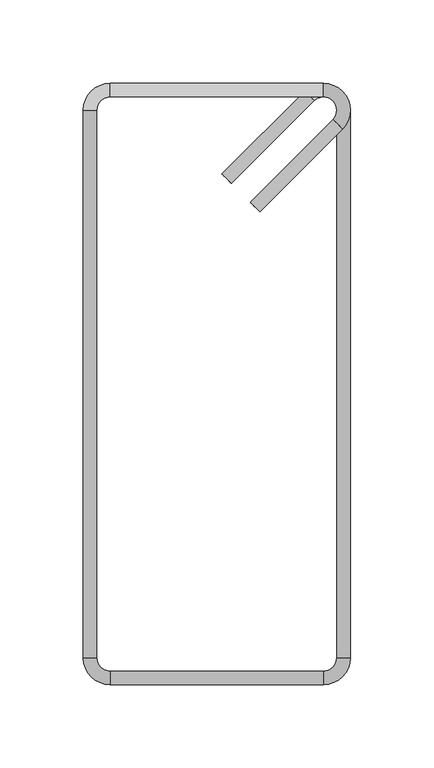
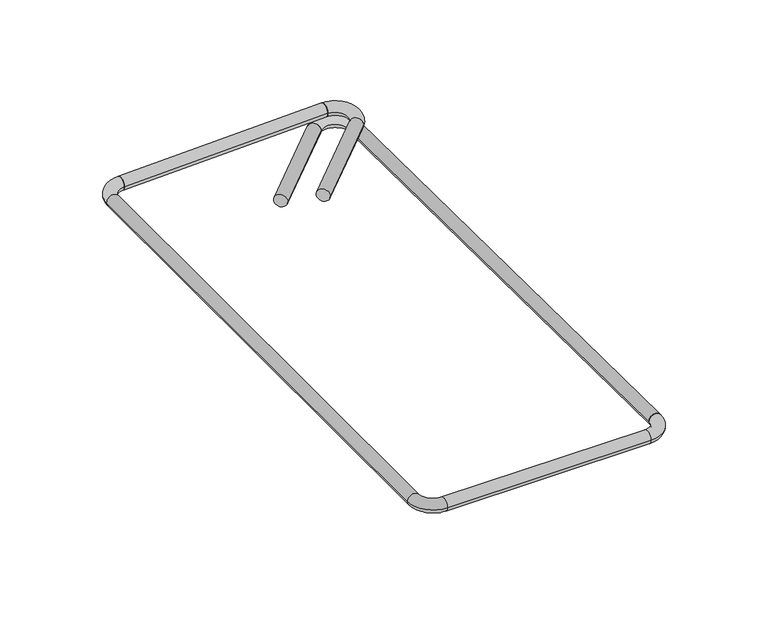
"""IFC4 building model written with IfcOpenShell, lengths in millimetres: proxy geometry."""

from ifc_helpers import new_model, si_unit, point, frame, origin, origin_2d, place, context, project, spatial, circle_curve, ellipse_curve, trimmed, segment, composite_curve, outline, extrude, source, transform, mapped, element, save
from ifc_brep_helpers import plane_surface, cylinder_surface, revolved_surface, extruded_surface, advanced_brep


def generic_models_10fef22a(model_context):
    return source(origin(), model_context, "Body", "SolidModel", [
        extrude(outline(composite_curve([segment(trimmed(circle_curve(origin_2d(), 4.0), [point((0.0, -4.0))], [point((0.0, 4.0))], False, "CARTESIAN"), True, "CONTINUOUS"), segment(trimmed(circle_curve(origin_2d(), 4.0), [point((0.0, 4.0))], [point((0.0, -4.0))], False, "CARTESIAN"), True, "CONTINUOUS")], self_intersect=False)), frame((22.9878067, 106.0172439, 4.0), z_axis=(0.7071067811865562, 0.7071067811865388, 0.0), x_axis=(0.0, 0.0, 1.0)), (0.0, 0.0, 1.0), 70.0),
        advanced_brep(
        [(64.0, 172.0, 4.0), (64.0, 180.0, 4.0), (69.6568542, 158.3431458, 4.0), (75.3137085, 152.6862915, 4.0)],
        [
            (0, 1, circle_curve(frame((64.0, 176.0, 4.0), z_axis=(-1.0, 0.0, 0.0), x_axis=(0.0, 1.0, 0.0)), 4.0)),
            (1, 0, circle_curve(frame((64.0, 176.0, 4.0), z_axis=(-1.0, 0.0, 0.0), x_axis=(0.0, 1.0, 0.0)), 4.0)),
            (2, 3, circle_curve(frame((72.4852814, 155.5147186, 4.0), z_axis=(-0.7071067811865459, -0.7071067811865491, 0.0), x_axis=(0.7071067811865491, -0.7071067811865459, 0.0)), 4.0)),
            (3, 2, circle_curve(frame((72.4852814, 155.5147186, 4.0), z_axis=(-0.7071067811865459, -0.7071067811865491, 0.0), x_axis=(0.7071067811865491, -0.7071067811865459, 0.0)), 4.0)),
            (3, 1, circle_curve(frame((64.0, 164.0, 4.0), z_axis=(0.0, 0.0, 1.0), x_axis=(0.0, 1.0, 0.0)), 16.0)),
            (0, 2, circle_curve(frame((64.0, 164.0, 4.0), z_axis=(0.0, 0.0, -1.0), x_axis=(0.0, 1.0, 0.0)), 8.0)),
        ],
        [
            plane_surface(frame((64.0, 176.0, 4.0), z_axis=(-1.0, 0.0, 0.0), x_axis=(0.0, 0.0, 1.0))),
            plane_surface(frame((72.4852814, 155.5147186, 4.0), z_axis=(-0.7071067811865459, -0.7071067811865491, 0.0), x_axis=(0.0, 0.0, 1.0))),
            revolved_surface(trimmed(ellipse_curve(frame((64.0, 176.0, 4.0), z_axis=(-1.0, 0.0, 0.0), x_axis=(0.0, 1.0, 0.0)), 4.0, 4.0), [point((64.0, 172.0, 4.0))], [point((64.0, 180.0, 4.0))], True, "CARTESIAN"), (64.0, 164.0, 4.0), (0.0, 0.0, -1.0)),
            revolved_surface(trimmed(ellipse_curve(frame((64.0, 176.0, 4.0), z_axis=(-1.0, 0.0, 0.0), x_axis=(0.0, 1.0, 0.0)), 4.0, 4.0), [point((64.0, 180.0, 4.0))], [point((64.0, 172.0, 4.0))], True, "CARTESIAN"), (64.0, 164.0, 4.0), (0.0, 0.0, -1.0)),
        ],
        [
            (0, [[1, 2]]),
            (1, [[3, 4]]),
            (2, [[5, -1, 6, -4]]),
            (3, [[-6, -2, -5, -3]]),
        ],
    ),
        extrude(outline(composite_curve([segment(trimmed(circle_curve(origin_2d(), 4.0), [point((0.0, -4.0))], [point((0.0, 4.0))], False, "CARTESIAN"), True, "CONTINUOUS"), segment(trimmed(circle_curve(origin_2d(), 4.0), [point((0.0, 4.0))], [point((0.0, -4.0))], False, "CARTESIAN"), True, "CONTINUOUS")], self_intersect=False)), frame((6.0172439, 122.9878067, -4.0), z_axis=(0.7071067811866664, 0.7071067811864288, 0.0), x_axis=(0.0, 0.0, 1.0)), (0.0, 0.0, 1.0), 70.0),
        advanced_brep(
        [(80.0, 164.0, -4.0), (72.0, 164.0, -4.0), (52.6862915, 175.3137085, -4.0), (58.3431458, 169.6568542, -4.0)],
        [
            (0, 1, circle_curve(frame((76.0, 164.0, -4.0), z_axis=(0.0, -1.0, 0.0), x_axis=(-1.0, 0.0, 0.0)), 4.0)),
            (1, 0, circle_curve(frame((76.0, 164.0, -4.0), z_axis=(0.0, -1.0, 0.0), x_axis=(-1.0, 0.0, 0.0)), 4.0)),
            (2, 3, circle_curve(frame((55.5147186, 172.4852814, -4.0), z_axis=(-0.7071067811865468, -0.7071067811865482, 0.0), x_axis=(0.7071067811865482, -0.7071067811865468, 0.0)), 4.0)),
            (3, 2, circle_curve(frame((55.5147186, 172.4852814, -4.0), z_axis=(-0.7071067811865468, -0.7071067811865482, 0.0), x_axis=(0.7071067811865482, -0.7071067811865468, 0.0)), 4.0)),
            (3, 1, circle_curve(frame((64.0, 164.0, -4.0), z_axis=(0.0, 0.0, -1.0), x_axis=(1.0, 0.0, 0.0)), 8.0)),
            (0, 2, circle_curve(frame((64.0, 164.0, -4.0), z_axis=(0.0, 0.0, 1.0), x_axis=(1.0, 0.0, 0.0)), 16.0)),
        ],
        [
            plane_surface(frame((76.0, 164.0, -4.0), z_axis=(0.0, -1.0, 0.0), x_axis=(0.0, 0.0, 1.0))),
            plane_surface(frame((55.5147186, 172.4852814, -4.0), z_axis=(-0.7071067811865468, -0.7071067811865483, 0.0), x_axis=(0.0, 0.0, 1.0))),
            revolved_surface(trimmed(ellipse_curve(frame((76.0, 164.0, -4.0), z_axis=(0.0, -1.0, 0.0), x_axis=(-1.0, 0.0, 0.0)), 4.0, 4.0), [point((80.0, 164.0, -4.0))], [point((72.0, 164.0, -4.0))], True, "CARTESIAN"), (64.0, 164.0, -4.0), (0.0, 0.0, 1.0)),
            revolved_surface(trimmed(ellipse_curve(frame((76.0, 164.0, -4.0), z_axis=(0.0, -1.0, 0.0), x_axis=(-1.0, 0.0, 0.0)), 4.0, 4.0), [point((72.0, 164.0, -4.0))], [point((80.0, 164.0, -4.0))], True, "CARTESIAN"), (64.0, 164.0, -4.0), (0.0, 0.0, 1.0)),
        ],
        [
            (0, [[1, 2]]),
            (1, [[3, 4]]),
            (2, [[5, -1, 6, -4]]),
            (3, [[-6, -2, -5, -3]]),
        ],
    ),
        advanced_brep(
        [(80.0, 164.0, -4.0), (72.0, 164.0, -4.0), (80.0, -164.0, 0.0), (72.0, -164.0, 0.0)],
        [
            (0, 1, circle_curve(frame((76.0, 164.0, -4.0), z_axis=(0.0, 1.0, 0.0), x_axis=(-1.0, 0.0, 0.0)), 4.0)),
            (1, 0, circle_curve(frame((76.0, 164.0, -4.0), z_axis=(0.0, 1.0, 0.0), x_axis=(-1.0, 0.0, 0.0)), 4.0)),
            (2, 3, circle_curve(frame((76.0, -164.0, 0.0), z_axis=(0.0, -1.0, 0.0), x_axis=(-1.0, 0.0, 0.0)), 4.0)),
            (3, 2, circle_curve(frame((76.0, -164.0, 0.0), z_axis=(0.0, -1.0, 0.0), x_axis=(-1.0, 0.0, 0.0)), 4.0)),
            (3, 1),
            (0, 2),
        ],
        [
            plane_surface(frame((76.0, 164.0, -4.0), z_axis=(0.0, 1.0, 0.0), x_axis=(0.0, 0.0, -1.0))),
            plane_surface(frame((76.0, -164.0, 0.0), z_axis=(0.0, -1.0, 0.0), x_axis=(0.0, 0.0, -1.0))),
            extruded_surface(trimmed(circle_curve(frame((76.0, -164.0, 0.0), z_axis=(0.0, 1.0, 0.0), x_axis=(-1.0, 0.0, 0.0)), 4.0), [point((80.0, -164.0, 0.0))], [point((72.0, -164.0, 0.0))], True, "CARTESIAN"), (0.0, 328.0, -4.0), 328.0243893371345),
            extruded_surface(trimmed(circle_curve(frame((76.0, -164.0, 0.0), z_axis=(0.0, 1.0, 0.0), x_axis=(-1.0, 0.0, 0.0)), 4.0), [point((72.0, -164.0, 0.0))], [point((80.0, -164.0, 0.0))], True, "CARTESIAN"), (0.0, 328.0, -4.0), 328.0243893371345),
        ],
        [
            (0, [[1, 2]]),
            (1, [[3, 4]]),
            (2, [[-4, 5, -1, 6]]),
            (3, [[-3, -6, -2, -5]]),
        ],
    ),
        advanced_brep(
        [(64.0, 172.0, 4.0), (64.0, 180.0, 4.0), (-64.0, 172.0, 0.0), (-64.0, 180.0, 0.0)],
        [
            (0, 1, circle_curve(frame((64.0, 176.0, 4.0), z_axis=(1.0, 0.0, 0.0), x_axis=(0.0, 1.0, 0.0)), 4.0)),
            (1, 0, circle_curve(frame((64.0, 176.0, 4.0), z_axis=(1.0, 0.0, 0.0), x_axis=(0.0, 1.0, 0.0)), 4.0)),
            (2, 3, circle_curve(frame((-64.0, 176.0, 0.0), z_axis=(-1.0, 0.0, 0.0), x_axis=(0.0, 1.0, 0.0)), 4.0)),
            (3, 2, circle_curve(frame((-64.0, 176.0, 0.0), z_axis=(-1.0, 0.0, 0.0), x_axis=(0.0, 1.0, 0.0)), 4.0)),
            (3, 1),
            (0, 2),
        ],
        [
            plane_surface(frame((64.0, 176.0, 4.0), z_axis=(1.0, 0.0, 0.0), x_axis=(0.0, 0.0, -1.0))),
            plane_surface(frame((-64.0, 176.0, 0.0), z_axis=(-1.0, 0.0, 0.0), x_axis=(0.0, 0.0, -1.0))),
            extruded_surface(trimmed(circle_curve(frame((-64.0, 176.0, 0.0), z_axis=(1.0, 0.0, 0.0), x_axis=(0.0, 1.0, 0.0)), 4.0), [point((-64.0, 172.0, 0.0))], [point((-64.0, 180.0, 0.0))], True, "CARTESIAN"), (128.0, 0.0, 4.0), 128.06248474865697),
            extruded_surface(trimmed(circle_curve(frame((-64.0, 176.0, 0.0), z_axis=(1.0, 0.0, 0.0), x_axis=(0.0, 1.0, 0.0)), 4.0), [point((-64.0, 180.0, 0.0))], [point((-64.0, 172.0, 0.0))], True, "CARTESIAN"), (128.0, 0.0, 4.0), 128.06248474865697),
        ],
        [
            (0, [[1, 2]]),
            (1, [[3, 4]]),
            (2, [[-4, 5, -1, 6]]),
            (3, [[-3, -6, -2, -5]]),
        ],
    ),
        advanced_brep(
        [(-64.0, 180.0, 0.0), (-64.0, 172.0, 0.0), (-72.0, 164.0, 0.0), (-80.0, 164.0, 0.0), (-80.0, -164.0, 0.0), (-72.0, -164.0, 0.0), (-64.0, -172.0, 0.0), (-64.0, -180.0, 0.0), (64.0, -180.0, 0.0), (64.0, -172.0, 0.0), (80.0, -164.0, 0.0), (72.0, -164.0, 0.0)],
        [
            (0, 1, circle_curve(frame((-64.0, 176.0, 0.0), z_axis=(1.0, 0.0, 0.0), x_axis=(0.0, -1.0, 0.0)), 4.0)),
            (1, 0, circle_curve(frame((-64.0, 176.0, 0.0), z_axis=(1.0, 0.0, 0.0), x_axis=(0.0, -1.0, 0.0)), 4.0)),
            (2, 1, circle_curve(frame((-64.0, 164.0, 0.0), z_axis=(0.0, 0.0, -1.0), x_axis=(0.0, 1.0, 0.0)), 8.0)),
            (0, 3, circle_curve(frame((-64.0, 164.0, 0.0), z_axis=(0.0, 0.0, 1.0), x_axis=(0.0, 1.0, 0.0)), 16.0)),
            (3, 2, circle_curve(frame((-76.0, 164.0, 0.0), z_axis=(0.0, 1.0, 0.0), x_axis=(1.0, 0.0, 0.0)), 4.0)),
            (2, 3, circle_curve(frame((-76.0, 164.0, 0.0), z_axis=(0.0, 1.0, 0.0), x_axis=(1.0, 0.0, 0.0)), 4.0)),
            (3, 4),
            (4, 5, circle_curve(frame((-76.0, -164.0, 0.0), z_axis=(0.0, 1.0, 0.0), x_axis=(1.0, 0.0, 0.0)), 4.0)),
            (5, 2),
            (5, 4, circle_curve(frame((-76.0, -164.0, 0.0), z_axis=(0.0, 1.0, 0.0), x_axis=(1.0, 0.0, 0.0)), 4.0)),
            (6, 5, circle_curve(frame((-64.0, -164.0, 0.0), z_axis=(0.0, 0.0, -1.0), x_axis=(-1.0, 0.0, 0.0)), 8.0)),
            (4, 7, circle_curve(frame((-64.0, -164.0, 0.0), z_axis=(0.0, 0.0, 1.0), x_axis=(-1.0, 0.0, 0.0)), 16.0)),
            (7, 6, circle_curve(frame((-64.0, -176.0, 0.0), z_axis=(-1.0, 0.0, 0.0), x_axis=(0.0, 1.0, 0.0)), 4.0)),
            (6, 7, circle_curve(frame((-64.0, -176.0, 0.0), z_axis=(-1.0, 0.0, 0.0), x_axis=(0.0, 1.0, 0.0)), 4.0)),
            (7, 8),
            (8, 9, circle_curve(frame((64.0, -176.0, 0.0), z_axis=(-1.0, 0.0, 0.0), x_axis=(0.0, 1.0, 0.0)), 4.0)),
            (9, 6),
            (9, 8, circle_curve(frame((64.0, -176.0, 0.0), z_axis=(-1.0, 0.0, 0.0), x_axis=(0.0, 1.0, 0.0)), 4.0)),
            (10, 11, circle_curve(frame((76.0, -164.0, 0.0), z_axis=(0.0, 1.0, 0.0), x_axis=(-1.0, 0.0, 0.0)), 4.0)),
            (11, 10, circle_curve(frame((76.0, -164.0, 0.0), z_axis=(0.0, 1.0, 0.0), x_axis=(-1.0, 0.0, 0.0)), 4.0)),
            (11, 9, circle_curve(frame((64.0, -164.0, 0.0), z_axis=(0.0, 0.0, -1.0), x_axis=(0.0, -1.0, 0.0)), 8.0)),
            (8, 10, circle_curve(frame((64.0, -164.0, 0.0), z_axis=(0.0, 0.0, 1.0), x_axis=(0.0, -1.0, 0.0)), 16.0)),
        ],
        [
            plane_surface(frame((-64.0, 176.0, 0.0), z_axis=(1.0, 0.0, 0.0), x_axis=(0.0, 0.0, 1.0))),
            revolved_surface(trimmed(ellipse_curve(frame((-64.0, 176.0, 0.0), z_axis=(1.0, 0.0, 0.0), x_axis=(0.0, -1.0, 0.0)), 4.0, 4.0), [point((-64.0, 180.0, 0.0))], [point((-64.0, 172.0, 0.0))], True, "CARTESIAN"), (-64.0, 164.0, 0.0), (0.0, 0.0, 1.0)),
            revolved_surface(trimmed(ellipse_curve(frame((-64.0, 176.0, 0.0), z_axis=(1.0, 0.0, 0.0), x_axis=(0.0, -1.0, 0.0)), 4.0, 4.0), [point((-64.0, 172.0, 0.0))], [point((-64.0, 180.0, 0.0))], True, "CARTESIAN"), (-64.0, 164.0, 0.0), (0.0, 0.0, 1.0)),
            cylinder_surface(frame((-76.0, 164.0, 0.0), z_axis=(0.0, 1.0, 0.0), x_axis=(1.0, 0.0, 0.0)), 4.0),
            revolved_surface(trimmed(ellipse_curve(frame((-76.0, -164.0, 0.0), z_axis=(0.0, 1.0, 0.0), x_axis=(1.0, 0.0, 0.0)), 4.0, 4.0), [point((-80.0, -164.0, 0.0))], [point((-72.0, -164.0, 0.0))], True, "CARTESIAN"), (-64.0, -164.0, 0.0), (0.0, 0.0, 1.0)),
            revolved_surface(trimmed(ellipse_curve(frame((-76.0, -164.0, 0.0), z_axis=(0.0, 1.0, 0.0), x_axis=(1.0, 0.0, 0.0)), 4.0, 4.0), [point((-72.0, -164.0, 0.0))], [point((-80.0, -164.0, 0.0))], True, "CARTESIAN"), (-64.0, -164.0, 0.0), (0.0, 0.0, 1.0)),
            cylinder_surface(frame((-64.0, -176.0, 0.0), z_axis=(-1.0, 0.0, 0.0), x_axis=(0.0, 1.0, 0.0)), 4.0),
            plane_surface(frame((76.0, -164.0, 0.0), z_axis=(0.0, 1.0, 0.0), x_axis=(0.0, 0.0, 1.0))),
            revolved_surface(trimmed(ellipse_curve(frame((64.0, -176.0, 0.0), z_axis=(-1.0, 0.0, 0.0), x_axis=(0.0, 1.0, 0.0)), 4.0, 4.0), [point((64.0, -180.0, 0.0))], [point((64.0, -172.0, 0.0))], True, "CARTESIAN"), (64.0, -164.0, 0.0), (0.0, 0.0, 1.0)),
            revolved_surface(trimmed(ellipse_curve(frame((64.0, -176.0, 0.0), z_axis=(-1.0, 0.0, 0.0), x_axis=(0.0, 1.0, 0.0)), 4.0, 4.0), [point((64.0, -172.0, 0.0))], [point((64.0, -180.0, 0.0))], True, "CARTESIAN"), (64.0, -164.0, 0.0), (0.0, 0.0, 1.0)),
        ],
        [
            (0, [[1, 2]]),
            (1, [[3, -1, 4, 5]]),
            (2, [[-4, -2, -3, 6]]),
            (3, [[-5, 7, 8, 9]]),
            (3, [[-6, -9, 10, -7]]),
            (4, [[11, -8, 12, 13]]),
            (5, [[-12, -10, -11, 14]]),
            (6, [[-13, 15, 16, 17]]),
            (6, [[-14, -17, 18, -15]]),
            (7, [[19, 20]]),
            (8, [[21, -16, 22, -20]]),
            (9, [[-22, -18, -21, -19]]),
        ],
    ),
    ])


if __name__ == "__main__":
    model = new_model("IFC4")
    model_context = context("Model", 3, world=origin())
    ifc_project = project(units=[si_unit("LENGTHUNIT", "METRE", prefix="MILLI")], contexts=[model_context])
    site = spatial("IfcSite", under=ifc_project)
    building = spatial("IfcBuilding", under=site)
    placement = place(None, origin())
    generic_models_shape = generic_models_10fef22a(model_context)
    element("IfcBuildingElementProxy", 1, Name="Generic Models", at=placement, inside=building, context=model_context, shape_type="MappedRepresentation", body=[
        mapped(generic_models_shape, transform((0.0, 0.0, 0.0), x_axis=(1.0, 0.0, 0.0), y_axis=(0.0, 1.0, 0.0), z_axis=(0.0, 0.0, 1.0))),
    ])
    save(model, "model.ifc")
